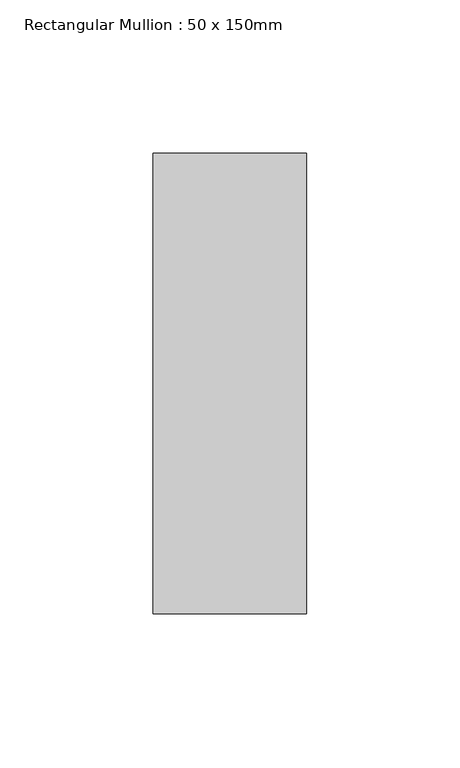
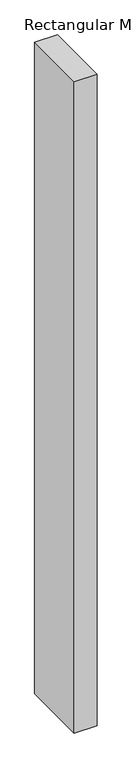
"""IFC4 building model written with IfcOpenShell, lengths in millimetres: member geometry, Rectangular Mullion : 50 x 150mm."""

from ifc_helpers import new_model, si_unit, frame, origin, place, context, project, spatial, polyline, outline, extrude, source, transform, mapped, element, save


def rectangular_mullion_50_x_150mm_cc159122(model_context):
    return source(origin(), model_context, "Body", "SweptSolid", [
        extrude(outline(polyline([(25.0, 75.0), (25.0, -75.0), (-25.0, -75.0), (-25.0, 75.0), (25.0, 75.0)])), frame((0.0, 0.0, -1510.3121686), z_axis=(0.0, 0.0, 1.0), x_axis=(1.0, 0.0, 0.0)), (0.0, 0.0, 1.0), 1510.3121686),
    ])


if __name__ == "__main__":
    model = new_model("IFC4")
    model_context = context("Model", 3, world=origin())
    ifc_project = project(units=[si_unit("LENGTHUNIT", "METRE", prefix="MILLI")], contexts=[model_context])
    site = spatial("IfcSite", under=ifc_project)
    building = spatial("IfcBuilding", under=site)
    placement = place(None, origin())
    rectangular_mullion_50_x_150mm_shape = rectangular_mullion_50_x_150mm_cc159122(model_context)
    element("IfcMember", 1, ObjectType="Rectangular Mullion : 50 x 150mm", at=placement, inside=building, context=model_context, shape_type="MappedRepresentation", body=[
        mapped(rectangular_mullion_50_x_150mm_shape, transform((0.0, 0.0, 0.0), x_axis=(1.0, 0.0, 0.0), y_axis=(0.0, 1.0, 0.0), z_axis=(0.0, 0.0, 1.0))),
    ])
    save(model, "model.ifc")
